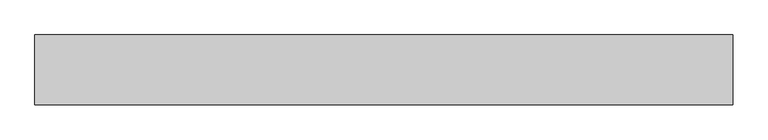
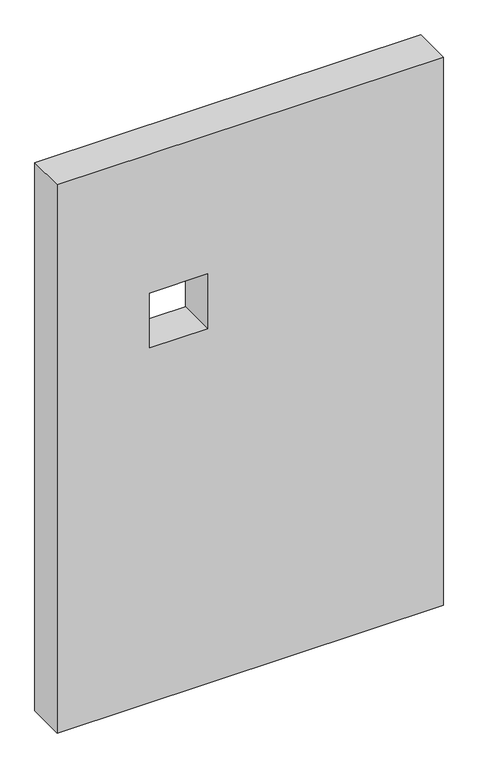
"""IFC4 building model written with IfcOpenShell, lengths in millimetres: proxy geometry."""

from ifc_helpers import new_model, si_unit, frame, origin, place, context, project, spatial, polyline, outline, extrude, source, transform, mapped, element, save


def generic_models_fc92ff14(model_context):
    return source(origin(), model_context, "Body", "SweptSolid", [
        extrude(outline(polyline([(1500.0, 1000.0), (1500.0, 0.0), (0.0, 0.0), (0.0, 1000.0), (1500.0, 1000.0)]), holes=[polyline([(1120.0, 240.0), (1120.0, 390.0), (970.0, 390.0), (970.0, 240.0), (1120.0, 240.0)])]), frame((0.0, 0.0, 0.0), z_axis=(0.0, 1.0, 0.0), x_axis=(0.0, 0.0, 1.0)), (0.0, 0.0, 1.0), 100.0),
    ])


if __name__ == "__main__":
    model = new_model("IFC4")
    model_context = context("Model", 3, world=origin())
    ifc_project = project(units=[si_unit("LENGTHUNIT", "METRE", prefix="MILLI")], contexts=[model_context])
    site = spatial("IfcSite", under=ifc_project)
    building = spatial("IfcBuilding", under=site)
    placement = place(None, origin())
    generic_models_shape = generic_models_fc92ff14(model_context)
    element("IfcBuildingElementProxy", 1, Name="Generic Models", at=placement, inside=building, context=model_context, shape_type="MappedRepresentation", body=[
        mapped(generic_models_shape, transform((0.0, 0.0, 0.0), x_axis=(1.0, 0.0, 0.0), y_axis=(0.0, 1.0, 0.0), z_axis=(0.0, 0.0, 1.0))),
    ])
    save(model, "model.ifc")
